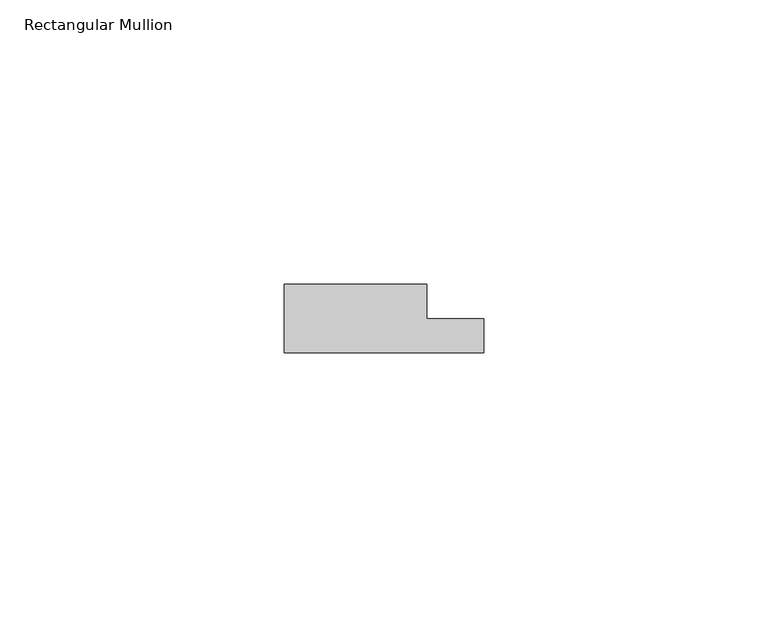
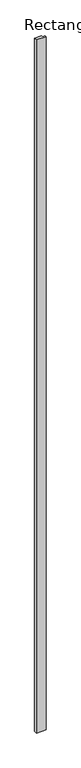
"""IFC4 building model written with IfcOpenShell, lengths in millimetres: member geometry, Rectangular Mullion."""

from ifc_helpers import new_model, si_unit, frame, origin, place, context, project, spatial, polyline, outline, extrude, source, transform, mapped, element, save


def rectangular_mullion_281c8d27(model_context):
    return source(origin(), model_context, "Body", "SweptSolid", [
        extrude(outline(polyline([(17.5, 0.0), (-17.5, 0.0), (-17.5, 12.0), (7.5, 12.0), (7.5, 6.0), (17.5, 6.0), (17.5, 0.0)])), frame((0.0, 0.0, -2700.0), z_axis=(0.0, 0.0, 1.0), x_axis=(1.0, 0.0, 0.0)), (0.0, 0.0, 1.0), 2700.0),
    ])


if __name__ == "__main__":
    model = new_model("IFC4")
    model_context = context("Model", 3, world=origin())
    ifc_project = project(units=[si_unit("LENGTHUNIT", "METRE", prefix="MILLI")], contexts=[model_context])
    site = spatial("IfcSite", under=ifc_project)
    building = spatial("IfcBuilding", under=site)
    placement = place(None, origin())
    rectangular_mullion_shape = rectangular_mullion_281c8d27(model_context)
    element("IfcMember", 1, ObjectType="Rectangular Mullion", at=placement, inside=building, context=model_context, shape_type="MappedRepresentation", body=[
        mapped(rectangular_mullion_shape, transform((0.0, 0.0, 0.0), x_axis=(1.0, 0.0, 0.0), y_axis=(0.0, 1.0, 0.0), z_axis=(0.0, 0.0, 1.0))),
    ])
    save(model, "model.ifc")
